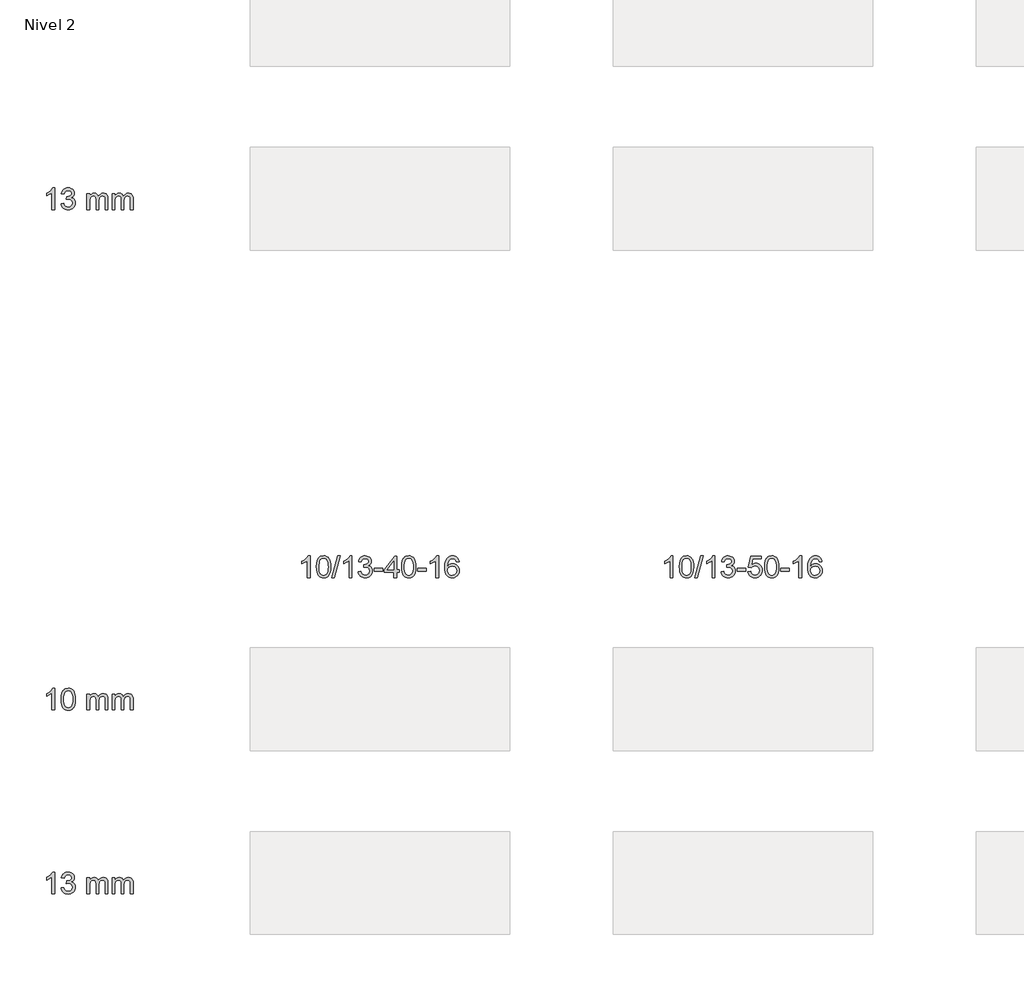
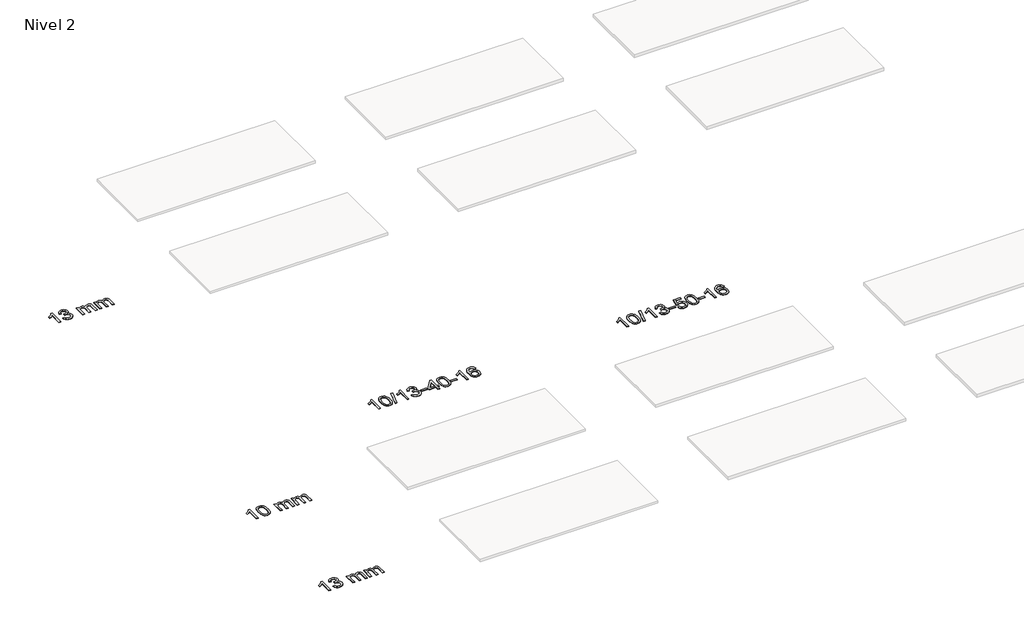
# One storey, part 5 of 51: 5 proxies.
"""IFC4 building model written with IfcOpenShell, lengths in millimetres."""

from ifc_helpers import new_model, si_unit, frame, origin, place, context, project, spatial, polyline, outline, extrude, element, save

model = new_model("IFC4")

# Units and contexts
model_context = context("Model", 3, world=origin())
ifc_project = project(units=[si_unit("LENGTHUNIT", "METRE", prefix="MILLI")], contexts=[model_context])

# Site, building, storey
site = spatial("IfcSite", under=ifc_project)
building = spatial("IfcBuilding", under=site)
storey = spatial("IfcBuildingStorey", under=building, Name="Nivel 2", Elevation=3000.0)

# Proxies
placement = place(None, origin())
element("IfcBuildingElementProxy", 1, Name="Texto de modelo 1", ObjectType="Texto de modelo 1", at=placement, inside=storey, context=model_context, shape_type="SweptSolid", body=[
    extrude(outline(polyline([(-13715.0343234, -110713.8281584), (-13765.2624785, -110713.8281584), (-13765.2624785, -110400.6870041), (-13786.2317522, -110417.6463641), (-13812.8418832, -110434.5811986), (-13865.7187886, -110459.9405308), (-13865.7187886, -110412.459228), (-13826.269576, -110390.9994449), (-13792.0933386, -110365.4684345), (-13765.1521139, -110338.3187432), (-13747.407939, -110312.0029178), (-13715.0343234, -110312.0029178), (-13715.0343234, -110713.8281584)])), frame((0.0, 0.0, 3000.0), z_axis=(0.0, 0.0, 1.0), x_axis=(1.0, 0.0, 0.0)), (0.0, 0.0, 1.0), 10.0),
    extrude(outline(polyline([(-13595.7424551, -110607.0933289), (-13545.5143, -110600.8148095), (-13534.2693737, -110632.3790847), (-13517.800523, -110653.691715), (-13495.2984077, -110665.8318208), (-13465.9536872, -110669.8785227), (-13431.5199324, -110664.3112419), (-13417.246111, -110657.3521408), (-13404.9343269, -110647.6093993), (-13387.9381787, -110622.6915255), (-13382.272796, -110592.476151), (-13387.8891278, -110563.7936181), (-13404.7381232, -110540.5312132), (-13430.2446082, -110525.1169576), (-13461.8334088, -110519.9788724), (-13497.0519785, -110525.4725769), (-13491.4601722, -110475.2444218), (-13483.4158192, -110475.833033), (-13453.323072, -110472.2277895), (-13426.4186354, -110461.4120588), (-13415.3453874, -110453.2328158), (-13407.4359245, -110443.1160609), (-13402.6902468, -110431.0617942), (-13401.1083542, -110417.0700157), (-13405.6946164, -110395.3772407), (-13419.453403, -110377.7802186), (-13440.4472022, -110366.1183593), (-13466.7385021, -110362.2310729), (-13493.078853, -110366.1551475), (-13514.6122124, -110377.9273714), (-13530.3330363, -110397.5477445), (-13539.2357806, -110425.0162668), (-13589.4639357, -110418.7377474), (-13583.5103787, -110394.7579727), (-13574.6750795, -110373.6354148), (-13562.958038, -110355.3700737), (-13548.3592541, -110339.9619495), (-13531.3385805, -110327.7298731), (-13512.3558695, -110318.9926757), (-13491.4111213, -110313.7503573), (-13468.5043357, -110312.0029178), (-13436.9277978, -110315.4487459), (-13407.9264338, -110325.7862299), (-13383.4745439, -110342.095665), (-13365.546428, -110363.4573462), (-13354.5467563, -110388.0686517), (-13350.8801991, -110414.1269597), (-13354.3628153, -110438.4071714), (-13364.810664, -110460.4310402), (-13382.0765923, -110479.1930219), (-13406.0134474, -110493.6875725), (-13374.5717996, -110506.3917641), (-13351.2726066, -110528.0232254), (-13336.8516323, -110557.4047341), (-13332.0446409, -110593.3590678), (-13334.4481366, -110618.8410273), (-13341.6586238, -110642.3118986), (-13353.6761023, -110663.7716816), (-13370.5005722, -110683.2203764), (-13390.9977307, -110699.3581333), (-13414.0332749, -110710.8851025), (-13439.607205, -110717.801284), (-13467.7195208, -110720.1066778), (-13493.1279039, -110718.1385091), (-13516.2799441, -110712.2340031), (-13537.1756415, -110702.3931598), (-13555.8149959, -110688.615979), (-13571.4438493, -110671.7118014), (-13583.3080437, -110652.4899671), (-13591.4075789, -110630.9504763), (-13595.7424551, -110607.0933289)])), frame((0.0, 0.0, 3000.0), z_axis=(0.0, 0.0, 1.0), x_axis=(1.0, 0.0, 0.0)), (0.0, 0.0, 1.0), 10.0),
    extrude(outline(polyline([(-13118.5749819, -110713.8281584), (-13118.5749819, -110418.7377474), (-13068.3468268, -110418.7377474), (-13068.3468268, -110467.2981707), (-13053.2391395, -110444.9922591), (-13033.8149702, -110427.5178643), (-13010.7365064, -110416.2238871), (-12984.6659356, -110412.459228), (-12956.7314295, -110416.2974635), (-12934.3396787, -110427.8121699), (-12917.6133106, -110446.2430579), (-12906.6749527, -110470.8298379), (-12888.366692, -110445.2926961), (-12867.4832574, -110427.0518805), (-12844.0246489, -110416.1073911), (-12817.9908664, -110412.459228), (-12797.8830496, -110413.9767412), (-12780.2339109, -110418.5292809), (-12765.0434502, -110426.1168471), (-12752.3116675, -110436.7394397), (-12742.2470292, -110450.5196861), (-12735.0580019, -110467.5802136), (-12730.7445855, -110487.9210222), (-12729.30678, -110511.542112), (-12729.30678, -110713.8281584), (-12779.5349351, -110713.8281584), (-12779.5349351, -110533.1245224), (-12780.6998948, -110508.0717585), (-12784.1947737, -110491.185975), (-12790.7430732, -110479.6222176), (-12801.0682946, -110470.5355323), (-12814.3488346, -110464.6494204), (-12829.7630902, -110462.6873831), (-12856.9740951, -110467.7151037), (-12879.1573794, -110482.7982655), (-12887.7627524, -110494.3681542), (-12893.9094474, -110508.9669381), (-12898.8268034, -110547.251191), (-12898.8268034, -110713.8281584), (-12949.0549585, -110713.8281584), (-12949.0549585, -110527.5327161), (-12951.9612263, -110499.1322261), (-12960.6800295, -110478.8741909), (-12976.0207087, -110466.734085), (-12998.7926042, -110462.6873831), (-13018.1431972, -110465.3851844), (-13035.9732112, -110473.4785883), (-13050.688491, -110486.771391), (-13060.6948813, -110505.0673889), (-13066.4338404, -110530.4512466), (-13068.3468268, -110565.0076287), (-13068.3468268, -110713.8281584), (-13118.5749819, -110713.8281584)])), frame((0.0, 0.0, 3000.0), z_axis=(0.0, 0.0, 1.0), x_axis=(1.0, 0.0, 0.0)), (0.0, 0.0, 1.0), 10.0),
    extrude(outline(polyline([(-12653.9645474, -110713.8281584), (-12653.9645474, -110418.7377474), (-12603.7363924, -110418.7377474), (-12603.7363924, -110467.2981707), (-12588.6287051, -110444.9922591), (-12569.2045357, -110427.5178643), (-12546.1260719, -110416.2238871), (-12520.0555012, -110412.459228), (-12492.120995, -110416.2974635), (-12469.7292442, -110427.8121699), (-12453.0028762, -110446.2430579), (-12442.0645182, -110470.8298379), (-12423.7562576, -110445.2926961), (-12402.872823, -110427.0518805), (-12379.4142144, -110416.1073911), (-12353.3804319, -110412.459228), (-12333.2726152, -110413.9767412), (-12315.6234765, -110418.5292809), (-12300.4330158, -110426.1168471), (-12287.701233, -110436.7394397), (-12277.6365948, -110450.5196861), (-12270.4475675, -110467.5802136), (-12266.1341511, -110487.9210222), (-12264.6963456, -110511.542112), (-12264.6963456, -110713.8281584), (-12314.9245007, -110713.8281584), (-12314.9245007, -110533.1245224), (-12316.0894603, -110508.0717585), (-12319.5843393, -110491.185975), (-12326.1326388, -110479.6222176), (-12336.4578601, -110470.5355323), (-12349.7384002, -110464.6494204), (-12365.1526558, -110462.6873831), (-12392.3636607, -110467.7151037), (-12414.546945, -110482.7982655), (-12423.152318, -110494.3681542), (-12429.299013, -110508.9669381), (-12434.216369, -110547.251191), (-12434.216369, -110713.8281584), (-12484.4445241, -110713.8281584), (-12484.4445241, -110527.5327161), (-12487.3507918, -110499.1322261), (-12496.0695951, -110478.8741909), (-12511.4102743, -110466.734085), (-12534.1821698, -110462.6873831), (-12553.5327628, -110465.3851844), (-12571.3627768, -110473.4785883), (-12586.0780566, -110486.771391), (-12596.0844469, -110505.0673889), (-12601.823406, -110530.4512466), (-12603.7363924, -110565.0076287), (-12603.7363924, -110713.8281584), (-12653.9645474, -110713.8281584)])), frame((0.0, 0.0, 3000.0), z_axis=(0.0, 0.0, 1.0), x_axis=(1.0, 0.0, 0.0)), (0.0, 0.0, 1.0), 10.0),
])
element("IfcBuildingElementProxy", 2, Name="Texto de modelo 1", ObjectType="Texto de modelo 1", at=placement, inside=storey, context=model_context, shape_type="SweptSolid", body=[
    extrude(outline(polyline([(-8991.394542, -117522.2088613), (-9041.622697, -117522.2088613), (-9041.622697, -117209.067707), (-9062.5919708, -117226.027067), (-9089.2021017, -117242.9619015), (-9142.0790072, -117268.3212337), (-9142.0790072, -117220.8399309), (-9102.6297946, -117199.3801478), (-9068.4535572, -117173.8491374), (-9041.5123324, -117146.6994461), (-9023.7681575, -117120.3836207), (-8991.394542, -117120.3836207), (-8991.394542, -117522.2088613)])), frame((0.0, 0.0, 3000.0), z_axis=(0.0, 0.0, 1.0), x_axis=(1.0, 0.0, 0.0)), (0.0, 0.0, 1.0), 10.0),
    extrude(outline(polyline([(-8872.1026737, -117324.5336026), (-8868.411591, -117260.2155671), (-8857.3383429, -117208.9205542), (-8838.9932941, -117169.8637491), (-8827.1352311, -117154.6303688), (-8813.4868091, -117142.2603367), (-8798.0020428, -117132.6892735), (-8780.6349469, -117125.8527997), (-8740.2537666, -117120.3836207), (-8709.3026281, -117123.6209823), (-8681.5888511, -117133.333067), (-8658.4122854, -117149.13973), (-8641.0727807, -117170.6608267), (-8627.9761817, -117197.7124161), (-8617.528333, -117230.1105572), (-8610.6857279, -117271.252027), (-8608.4048595, -117324.5336026), (-8612.059154, -117388.4837561), (-8623.0220375, -117439.6561416), (-8641.2567217, -117478.749735), (-8653.0871935, -117494.0291005), (-8666.7264185, -117506.4635119), (-8682.2295789, -117516.0989545), (-8699.651857, -117522.9814135), (-8740.2537666, -117528.4873807), (-8767.9184926, -117526.0961478), (-8792.443959, -117518.9224488), (-8813.8301656, -117506.966284), (-8832.0771126, -117490.2276532), (-8849.5882955, -117459.9693591), (-8862.0962834, -117422.267586), (-8869.6010761, -117377.1223338), (-8872.1026737, -117324.5336026)]), holes=[polyline([(-8821.8745186, -117324.4355007), (-8820.4029906, -117368.1000279), (-8815.9884067, -117403.4442906), (-8808.6307668, -117430.4682888), (-8798.3300709, -117449.1720226), (-8785.871134, -117461.8976739), (-8772.038771, -117470.9874249), (-8756.8329818, -117476.4412755), (-8740.2537666, -117478.2592256), (-8723.6745513, -117476.4351441), (-8708.4687622, -117470.9628994), (-8694.6363992, -117461.8424916), (-8682.1774623, -117449.0739207), (-8671.8767664, -117430.3395301), (-8664.5191265, -117403.3216632), (-8660.1045426, -117368.0203201), (-8658.6330146, -117324.4355007), (-8660.0554916, -117281.9267362), (-8664.3229228, -117247.2048072), (-8671.435308, -117220.2697138), (-8681.3926474, -117201.1214559), (-8693.6431178, -117187.7734709), (-8707.6348963, -117178.2391958), (-8723.367983, -117172.5186308), (-8740.8423778, -117170.6117758), (-8757.3357539, -117172.2917703), (-8772.2840256, -117177.3317536), (-8785.687193, -117185.7317258), (-8797.545256, -117197.4916869), (-8808.1893084, -117218.3383333), (-8815.7922029, -117246.4445178), (-8820.3539397, -117281.8102402), (-8821.8745186, -117324.4355007)])]), frame((0.0, 0.0, 3000.0), z_axis=(0.0, 0.0, 1.0), x_axis=(1.0, 0.0, 0.0)), (0.0, 0.0, 1.0), 10.0),
    extrude(outline(polyline([(-8589.5693014, -117522.2088613), (-8476.5559524, -117120.3836207), (-8431.2328906, -117120.3836207), (-8544.2462396, -117522.2088613), (-8589.5693014, -117522.2088613)])), frame((0.0, 0.0, 3000.0), z_axis=(0.0, 0.0, 1.0), x_axis=(1.0, 0.0, 0.0)), (0.0, 0.0, 1.0), 10.0),
    extrude(outline(polyline([(-8219.1366577, -117522.2088613), (-8269.3648128, -117522.2088613), (-8269.3648128, -117209.067707), (-8290.3340865, -117226.027067), (-8316.9442175, -117242.9619015), (-8369.8211229, -117268.3212337), (-8369.8211229, -117220.8399309), (-8330.3719103, -117199.3801478), (-8296.1956729, -117173.8491374), (-8269.2544482, -117146.6994461), (-8251.5102733, -117120.3836207), (-8219.1366577, -117120.3836207), (-8219.1366577, -117522.2088613)])), frame((0.0, 0.0, 3000.0), z_axis=(0.0, 0.0, 1.0), x_axis=(1.0, 0.0, 0.0)), (0.0, 0.0, 1.0), 10.0),
    extrude(outline(polyline([(-8099.8447894, -117415.4740318), (-8049.6166343, -117409.1955124), (-8038.371708, -117440.7597876), (-8021.9028573, -117462.0724179), (-7999.400742, -117474.2125237), (-7970.0560215, -117478.2592256), (-7935.6222667, -117472.6919448), (-7921.3484453, -117465.7328437), (-7909.0366612, -117455.9901022), (-7892.040513, -117431.0722284), (-7886.3751303, -117400.8568539), (-7891.9914621, -117372.174321), (-7908.8404575, -117348.9119161), (-7934.3469425, -117333.4976605), (-7965.9357431, -117328.3595753), (-8001.1543128, -117333.8532798), (-7995.5625065, -117283.6251247), (-7987.5181535, -117284.2137359), (-7957.4254063, -117280.6084924), (-7930.5209697, -117269.7927617), (-7919.4477217, -117261.6135187), (-7911.5382588, -117251.4967638), (-7906.792581, -117239.4424971), (-7905.2106885, -117225.4507186), (-7909.7969507, -117203.7579436), (-7923.5557373, -117186.1609215), (-7944.5495365, -117174.4990622), (-7970.8408364, -117170.6117758), (-7997.1811873, -117174.5358504), (-8018.7145467, -117186.3080743), (-8034.4353706, -117205.9284474), (-8043.3381149, -117233.3969697), (-8093.56627, -117227.1184503), (-8087.612713, -117203.1386756), (-8078.7774138, -117182.0161177), (-8067.0603722, -117163.7507766), (-8052.4615884, -117148.3426524), (-8035.4409148, -117136.110576), (-8016.4582038, -117127.3733786), (-7995.5134555, -117122.1310602), (-7972.60667, -117120.3836207), (-7941.0301321, -117123.8294488), (-7912.0287681, -117134.1669328), (-7887.5768782, -117150.4763679), (-7869.6487623, -117171.8380491), (-7858.6490906, -117196.4493546), (-7854.9825334, -117222.5076626), (-7858.4651496, -117246.7878743), (-7868.9129983, -117268.8117431), (-7886.1789266, -117287.5737248), (-7910.1157817, -117302.0682754), (-7878.6741339, -117314.772467), (-7855.3749408, -117336.4039283), (-7840.9539666, -117365.785437), (-7836.1469752, -117401.7397707), (-7838.5504709, -117427.2217302), (-7845.760958, -117450.6926015), (-7857.7784366, -117472.1523845), (-7874.6029065, -117491.6010793), (-7895.100065, -117507.7388362), (-7918.1356092, -117519.2658054), (-7943.7095393, -117526.1819869), (-7971.8218551, -117528.4873807), (-7997.2302382, -117526.519212), (-8020.3822784, -117520.614706), (-8041.2779757, -117510.7738627), (-8059.9173302, -117496.9966819), (-8075.5461836, -117480.0925043), (-8087.4103779, -117460.87067), (-8095.5099132, -117439.3311792), (-8099.8447894, -117415.4740318)])), frame((0.0, 0.0, 3000.0), z_axis=(0.0, 0.0, 1.0), x_axis=(1.0, 0.0, 0.0)), (0.0, 0.0, 1.0), 10.0),
    extrude(outline(polyline([(-7804.7543783, -117402.916993), (-7804.7543783, -117352.688838), (-7647.7913937, -117352.688838), (-7647.7913937, -117402.916993), (-7804.7543783, -117402.916993)])), frame((0.0, 0.0, 3000.0), z_axis=(0.0, 0.0, 1.0), x_axis=(1.0, 0.0, 0.0)), (0.0, 0.0, 1.0), 10.0),
    extrude(outline(polyline([(-7440.600254, -117522.2088613), (-7440.600254, -117428.0310706), (-7622.6773162, -117428.0310706), (-7622.6773162, -117377.8029155), (-7428.0432153, -117126.6621401), (-7390.3720989, -117126.6621401), (-7390.3720989, -117377.8029155), (-7340.1439439, -117377.8029155), (-7340.1439439, -117428.0310706), (-7390.3720989, -117428.0310706), (-7390.3720989, -117522.2088613), (-7440.600254, -117522.2088613)]), holes=[polyline([(-7440.600254, -117377.8029155), (-7440.600254, -117222.6057645), (-7560.873141, -117377.8029155), (-7440.600254, -117377.8029155)])]), frame((0.0, 0.0, 3000.0), z_axis=(0.0, 0.0, 1.0), x_axis=(1.0, 0.0, 0.0)), (0.0, 0.0, 1.0), 10.0),
    extrude(outline(polyline([(-7296.1943082, -117324.5336026), (-7292.5032255, -117260.2155671), (-7281.4299774, -117208.9205542), (-7263.0849286, -117169.8637491), (-7251.2268656, -117154.6303688), (-7237.5784436, -117142.2603367), (-7222.0936773, -117132.6892735), (-7204.7265814, -117125.8527997), (-7164.3454011, -117120.3836207), (-7133.3942626, -117123.6209823), (-7105.6804856, -117133.333067), (-7082.5039199, -117149.13973), (-7065.1644152, -117170.6608267), (-7052.0678162, -117197.7124161), (-7041.6199675, -117230.1105572), (-7034.7773624, -117271.252027), (-7032.496494, -117324.5336026), (-7036.1507885, -117388.4837561), (-7047.113672, -117439.6561416), (-7065.3483562, -117478.749735), (-7077.178828, -117494.0291005), (-7090.818053, -117506.4635119), (-7106.3212134, -117516.0989545), (-7123.7434916, -117522.9814135), (-7164.3454011, -117528.4873807), (-7192.0101271, -117526.0961478), (-7216.5355935, -117518.9224488), (-7237.9218001, -117506.966284), (-7256.1687471, -117490.2276532), (-7273.6799301, -117459.9693591), (-7286.1879179, -117422.267586), (-7293.6927106, -117377.1223338), (-7296.1943082, -117324.5336026)]), holes=[polyline([(-7245.9661531, -117324.4355007), (-7244.4946251, -117368.1000279), (-7240.0800412, -117403.4442906), (-7232.7224013, -117430.4682888), (-7222.4217054, -117449.1720226), (-7209.9627685, -117461.8976739), (-7196.1304055, -117470.9874249), (-7180.9246164, -117476.4412755), (-7164.3454011, -117478.2592256), (-7147.7661859, -117476.4351441), (-7132.5603967, -117470.9628994), (-7118.7280337, -117461.8424916), (-7106.2690968, -117449.0739207), (-7095.9684009, -117430.3395301), (-7088.610761, -117403.3216632), (-7084.1961771, -117368.0203201), (-7082.7246491, -117324.4355007), (-7084.1471262, -117281.9267362), (-7088.4145573, -117247.2048072), (-7095.5269425, -117220.2697138), (-7105.4842819, -117201.1214559), (-7117.7347523, -117187.7734709), (-7131.7265309, -117178.2391958), (-7147.4596175, -117172.5186308), (-7164.9340123, -117170.6117758), (-7181.4273884, -117172.2917703), (-7196.3756602, -117177.3317536), (-7209.7788275, -117185.7317258), (-7221.6368905, -117197.4916869), (-7232.2809429, -117218.3383333), (-7239.8838375, -117246.4445178), (-7244.4455742, -117281.8102402), (-7245.9661531, -117324.4355007)])]), frame((0.0, 0.0, 3000.0), z_axis=(0.0, 0.0, 1.0), x_axis=(1.0, 0.0, 0.0)), (0.0, 0.0, 1.0), 10.0),
    extrude(outline(polyline([(-7001.1038971, -117402.916993), (-7001.1038971, -117352.688838), (-6844.1409125, -117352.688838), (-6844.1409125, -117402.916993), (-7001.1038971, -117402.916993)])), frame((0.0, 0.0, 3000.0), z_axis=(0.0, 0.0, 1.0), x_axis=(1.0, 0.0, 0.0)), (0.0, 0.0, 1.0), 10.0),
    extrude(outline(polyline([(-6611.8356953, -117522.2088613), (-6662.0638504, -117522.2088613), (-6662.0638504, -117209.067707), (-6683.0331241, -117226.027067), (-6709.6432551, -117242.9619015), (-6762.5201605, -117268.3212337), (-6762.5201605, -117220.8399309), (-6723.0709479, -117199.3801478), (-6688.8947105, -117173.8491374), (-6661.9534858, -117146.6994461), (-6644.2093109, -117120.3836207), (-6611.8356953, -117120.3836207), (-6611.8356953, -117522.2088613)])), frame((0.0, 0.0, 3000.0), z_axis=(0.0, 0.0, 1.0), x_axis=(1.0, 0.0, 0.0)), (0.0, 0.0, 1.0), 10.0),
    extrude(outline(polyline([(-6235.1245322, -117227.1184503), (-6285.3526873, -117233.3969697), (-6293.4460912, -117208.5036213), (-6304.3844492, -117191.5074731), (-6327.1686074, -117175.8357001), (-6354.7107061, -117170.6117758), (-6378.0589501, -117173.6529336), (-6400.0337679, -117182.7764071), (-6418.9061143, -117201.99211), (-6434.3203699, -117228.4428255), (-6444.7314303, -117265.8564244), (-6448.5941913, -117317.9607776), (-6428.4465207, -117294.4531181), (-6404.3011991, -117277.8861656), (-6377.5071271, -117268.0637163), (-6349.4132054, -117264.7895666), (-6325.2801465, -117267.0275154), (-6303.0110231, -117273.7413618), (-6282.6058351, -117284.9311058), (-6264.0645825, -117300.5967474), (-6248.6564583, -117319.806319), (-6237.6506553, -117341.6278526), (-6231.0471734, -117366.0613485), (-6228.8460128, -117393.1068065), (-6232.9908167, -117429.0734029), (-6245.4252281, -117462.4157744), (-6265.1191776, -117490.6936371), (-6291.0425955, -117511.4667071), (-6322.0182595, -117524.2322123), (-6356.8689472, -117528.4873807), (-6386.8114759, -117525.6669521), (-6413.8538682, -117517.2056662), (-6437.9961241, -117503.1035231), (-6459.2382437, -117483.3605226), (-6476.5562886, -117457.1427991), (-6488.9263207, -117423.6164866), (-6496.34834, -117382.7815852), (-6498.8223464, -117334.6380947), (-6496.0754941, -117280.6636747), (-6487.8349374, -117234.5987175), (-6474.1006763, -117196.4432232), (-6454.8727107, -117166.1971919), (-6434.0321957, -117146.1537545), (-6409.8684799, -117131.8370135), (-6382.3815635, -117123.2469689), (-6351.5714464, -117120.3836207), (-6328.4378003, -117122.1555857), (-6307.4991834, -117127.4714805), (-6288.7555958, -117136.3313052), (-6272.2070373, -117148.7350598), (-6258.3010979, -117164.2658114), (-6247.4853673, -117182.506627), (-6239.7598454, -117203.4575066), (-6235.1245322, -117227.1184503)]), holes=[polyline([(-6448.5941913, -117392.3219916), (-6445.6879235, -117414.5788523), (-6436.9691202, -117435.8301689), (-6423.4310628, -117454.1016413), (-6406.0670327, -117467.4189695), (-6385.1100217, -117475.5491616), (-6360.7930218, -117478.2592256), (-6327.646854, -117472.6428939), (-6313.7317175, -117465.6224791), (-6301.588546, -117455.7938985), (-6291.7385056, -117443.5556908), (-6284.7027624, -117429.3063948), (-6279.0741679, -117394.7745382), (-6284.629186, -117361.6283704), (-6291.5729587, -117348.0075396), (-6301.2942404, -117336.3548774), (-6313.4742001, -117327.0198717), (-6327.7940068, -117320.3520106), (-6362.853161, -117315.0177217), (-6395.9502778, -117320.3520106), (-6423.6272666, -117336.3548774), (-6434.5502961, -117347.8542554), (-6442.3524601, -117361.0152338), (-6447.0337585, -117375.8378125), (-6448.5941913, -117392.3219916)])]), frame((0.0, 0.0, 3000.0), z_axis=(0.0, 0.0, 1.0), x_axis=(1.0, 0.0, 0.0)), (0.0, 0.0, 1.0), 10.0),
])
element("IfcBuildingElementProxy", 3, Name="Texto de modelo 1", ObjectType="Texto de modelo 1", at=placement, inside=storey, context=model_context, shape_type="SweptSolid", body=[
    extrude(outline(polyline([(-2276.4540071, -117522.2088613), (-2326.6821622, -117522.2088613), (-2326.6821622, -117209.067707), (-2347.6514359, -117226.027067), (-2374.2615669, -117242.9619015), (-2427.1384724, -117268.3212337), (-2427.1384724, -117220.8399309), (-2387.6892597, -117199.3801478), (-2353.5130224, -117173.8491374), (-2326.5717976, -117146.6994461), (-2308.8276227, -117120.3836207), (-2276.4540071, -117120.3836207), (-2276.4540071, -117522.2088613)])), frame((0.0, 0.0, 3000.0), z_axis=(0.0, 0.0, 1.0), x_axis=(1.0, 0.0, 0.0)), (0.0, 0.0, 1.0), 10.0),
    extrude(outline(polyline([(-2157.1621388, -117324.5336026), (-2153.4710561, -117260.2155671), (-2142.3978081, -117208.9205542), (-2124.0527593, -117169.8637491), (-2112.1946963, -117154.6303688), (-2098.5462743, -117142.2603367), (-2083.061508, -117132.6892735), (-2065.6944121, -117125.8527997), (-2025.3132318, -117120.3836207), (-1994.3620932, -117123.6209823), (-1966.6483163, -117133.333067), (-1943.4717506, -117149.13973), (-1926.1322459, -117170.6608267), (-1913.0356468, -117197.7124161), (-1902.5877982, -117230.1105572), (-1895.7451931, -117271.252027), (-1893.4643247, -117324.5336026), (-1897.1186192, -117388.4837561), (-1908.0815026, -117439.6561416), (-1926.3161869, -117478.749735), (-1938.1466587, -117494.0291005), (-1951.7858837, -117506.4635119), (-1967.2890441, -117516.0989545), (-1984.7113222, -117522.9814135), (-2025.3132318, -117528.4873807), (-2052.9779578, -117526.0961478), (-2077.5034241, -117518.9224488), (-2098.8896308, -117506.966284), (-2117.1365778, -117490.2276532), (-2134.6477607, -117459.9693591), (-2147.1557486, -117422.267586), (-2154.6605413, -117377.1223338), (-2157.1621388, -117324.5336026)]), holes=[polyline([(-2106.9339838, -117324.4355007), (-2105.4624558, -117368.1000279), (-2101.0478718, -117403.4442906), (-2093.6902319, -117430.4682888), (-2083.3895361, -117449.1720226), (-2070.9305992, -117461.8976739), (-2057.0982361, -117470.9874249), (-2041.892447, -117476.4412755), (-2025.3132318, -117478.2592256), (-2008.7340165, -117476.4351441), (-1993.5282274, -117470.9628994), (-1979.6958644, -117461.8424916), (-1967.2369275, -117449.0739207), (-1956.9362316, -117430.3395301), (-1949.5785917, -117403.3216632), (-1945.1640077, -117368.0203201), (-1943.6924798, -117324.4355007), (-1945.1149568, -117281.9267362), (-1949.382388, -117247.2048072), (-1956.4947732, -117220.2697138), (-1966.4521125, -117201.1214559), (-1978.702583, -117187.7734709), (-1992.6943615, -117178.2391958), (-2008.4274482, -117172.5186308), (-2025.9018429, -117170.6117758), (-2042.3952191, -117172.2917703), (-2057.3434908, -117177.3317536), (-2070.7466582, -117185.7317258), (-2082.6047211, -117197.4916869), (-2093.2487735, -117218.3383333), (-2100.8516681, -117246.4445178), (-2105.4134048, -117281.8102402), (-2106.9339838, -117324.4355007)])]), frame((0.0, 0.0, 3000.0), z_axis=(0.0, 0.0, 1.0), x_axis=(1.0, 0.0, 0.0)), (0.0, 0.0, 1.0), 10.0),
    extrude(outline(polyline([(-1874.6287665, -117522.2088613), (-1761.6154176, -117120.3836207), (-1716.2923558, -117120.3836207), (-1829.3057047, -117522.2088613), (-1874.6287665, -117522.2088613)])), frame((0.0, 0.0, 3000.0), z_axis=(0.0, 0.0, 1.0), x_axis=(1.0, 0.0, 0.0)), (0.0, 0.0, 1.0), 10.0),
    extrude(outline(polyline([(-1504.1961229, -117522.2088613), (-1554.4242779, -117522.2088613), (-1554.4242779, -117209.067707), (-1575.3935517, -117226.027067), (-1602.0036826, -117242.9619015), (-1654.8805881, -117268.3212337), (-1654.8805881, -117220.8399309), (-1615.4313755, -117199.3801478), (-1581.2551381, -117173.8491374), (-1554.3139133, -117146.6994461), (-1536.5697384, -117120.3836207), (-1504.1961229, -117120.3836207), (-1504.1961229, -117522.2088613)])), frame((0.0, 0.0, 3000.0), z_axis=(0.0, 0.0, 1.0), x_axis=(1.0, 0.0, 0.0)), (0.0, 0.0, 1.0), 10.0),
    extrude(outline(polyline([(-1384.9042546, -117415.4740318), (-1334.6760995, -117409.1955124), (-1323.4311732, -117440.7597876), (-1306.9623225, -117462.0724179), (-1284.4602071, -117474.2125237), (-1255.1154867, -117478.2592256), (-1220.6817319, -117472.6919448), (-1206.4079105, -117465.7328437), (-1194.0961264, -117455.9901022), (-1177.0999782, -117431.0722284), (-1171.4345955, -117400.8568539), (-1177.0509273, -117372.174321), (-1193.8999227, -117348.9119161), (-1219.4064077, -117333.4976605), (-1250.9952083, -117328.3595753), (-1286.213778, -117333.8532798), (-1280.6219717, -117283.6251247), (-1272.5776187, -117284.2137359), (-1242.4848715, -117280.6084924), (-1215.5804349, -117269.7927617), (-1204.5071869, -117261.6135187), (-1196.597724, -117251.4967638), (-1191.8520462, -117239.4424971), (-1190.2701536, -117225.4507186), (-1194.8564158, -117203.7579436), (-1208.6152025, -117186.1609215), (-1229.6090017, -117174.4990622), (-1255.9003016, -117170.6117758), (-1282.2406524, -117174.5358504), (-1303.7740119, -117186.3080743), (-1319.4948358, -117205.9284474), (-1328.3975801, -117233.3969697), (-1378.6257352, -117227.1184503), (-1372.6721782, -117203.1386756), (-1363.836879, -117182.0161177), (-1352.1198374, -117163.7507766), (-1337.5210536, -117148.3426524), (-1320.5003799, -117136.110576), (-1301.517669, -117127.3733786), (-1280.5729207, -117122.1310602), (-1257.6661352, -117120.3836207), (-1226.0895972, -117123.8294488), (-1197.0882333, -117134.1669328), (-1172.6363433, -117150.4763679), (-1154.7082274, -117171.8380491), (-1143.7085558, -117196.4493546), (-1140.0419986, -117222.5076626), (-1143.5246148, -117246.7878743), (-1153.9724634, -117268.8117431), (-1171.2383918, -117287.5737248), (-1195.1752469, -117302.0682754), (-1163.7335991, -117314.772467), (-1140.434406, -117336.4039283), (-1126.0134318, -117365.785437), (-1121.2064404, -117401.7397707), (-1123.6099361, -117427.2217302), (-1130.8204232, -117450.6926015), (-1142.8379017, -117472.1523845), (-1159.6623716, -117491.6010793), (-1180.1595301, -117507.7388362), (-1203.1950744, -117519.2658054), (-1228.7690044, -117526.1819869), (-1256.8813202, -117528.4873807), (-1282.2897034, -117526.519212), (-1305.4417436, -117520.614706), (-1326.3374409, -117510.7738627), (-1344.9767953, -117496.9966819), (-1360.6056488, -117480.0925043), (-1372.4698431, -117460.87067), (-1380.5693784, -117439.3311792), (-1384.9042546, -117415.4740318)])), frame((0.0, 0.0, 3000.0), z_axis=(0.0, 0.0, 1.0), x_axis=(1.0, 0.0, 0.0)), (0.0, 0.0, 1.0), 10.0),
    extrude(outline(polyline([(-1089.8138435, -117402.916993), (-1089.8138435, -117352.688838), (-932.8508589, -117352.688838), (-932.8508589, -117402.916993), (-1089.8138435, -117402.916993)])), frame((0.0, 0.0, 3000.0), z_axis=(0.0, 0.0, 1.0), x_axis=(1.0, 0.0, 0.0)), (0.0, 0.0, 1.0), 10.0),
    extrude(outline(polyline([(-888.9012232, -117415.4740318), (-838.6730681, -117409.1955124), (-829.4514928, -117439.3495733), (-813.3627868, -117460.9442464), (-790.4805267, -117473.9304808), (-760.8782889, -117478.2592256), (-741.7484251, -117476.7539752), (-724.8749043, -117472.2382237), (-710.2577263, -117464.7119712), (-697.8968913, -117454.1752177), (-688.0683107, -117441.1491294), (-681.0478959, -117426.1548724), (-675.4315641, -117390.2618524), (-680.6922767, -117356.4657598), (-687.2681673, -117342.5475576), (-696.4744142, -117330.6159182), (-708.3416743, -117321.044855), (-722.9006042, -117314.2083813), (-760.0934739, -117308.7392023), (-784.4595248, -117310.9219688), (-804.1902624, -117317.4702683), (-819.9478746, -117327.501184), (-832.3945487, -117340.1317992), (-882.6227038, -117333.8532798), (-838.6730681, -117126.6621401), (-644.0389672, -117126.6621401), (-644.0389672, -117176.8902952), (-798.0588958, -117176.8902952), (-819.5432044, -117287.5491993), (-801.8174236, -117274.8450078), (-783.6624471, -117265.7705852), (-765.078275, -117260.3259317), (-746.0649072, -117258.5110472), (-721.6038202, -117260.7612587), (-699.1354273, -117267.5118933), (-678.6597286, -117278.762951), (-660.1767241, -117294.5144318), (-644.8758987, -117313.8037111), (-633.9467378, -117335.6681643), (-627.3892412, -117360.1077915), (-625.203409, -117387.1225927), (-627.1715777, -117413.1441125), (-633.0760837, -117437.3507478), (-642.9169271, -117459.7424986), (-656.6941078, -117480.3193648), (-677.5652797, -117501.3928718), (-701.9190678, -117516.4453767), (-729.7554721, -117525.4768797), (-761.0744926, -117528.4873807), (-786.9948448, -117526.5529346), (-810.4074682, -117520.7495961), (-831.3123625, -117511.0773653), (-849.709528, -117497.5362422), (-865.0164847, -117480.8006771), (-876.6507528, -117461.5451203), (-884.6123323, -117439.7695719), (-888.9012232, -117415.4740318)])), frame((0.0, 0.0, 3000.0), z_axis=(0.0, 0.0, 1.0), x_axis=(1.0, 0.0, 0.0)), (0.0, 0.0, 1.0), 10.0),
    extrude(outline(polyline([(-581.2537734, -117324.5336026), (-577.5626907, -117260.2155671), (-566.4894426, -117208.9205542), (-548.1443938, -117169.8637491), (-536.2863308, -117154.6303688), (-522.6379088, -117142.2603367), (-507.1531425, -117132.6892735), (-489.7860466, -117125.8527997), (-449.4048663, -117120.3836207), (-418.4537278, -117123.6209823), (-390.7399508, -117133.333067), (-367.5633851, -117149.13973), (-350.2238804, -117170.6608267), (-337.1272814, -117197.7124161), (-326.6794327, -117230.1105572), (-319.8368276, -117271.252027), (-317.5559592, -117324.5336026), (-321.2102537, -117388.4837561), (-332.1731372, -117439.6561416), (-350.4078214, -117478.749735), (-362.2382932, -117494.0291005), (-375.8775182, -117506.4635119), (-391.3806786, -117516.0989545), (-408.8029568, -117522.9814135), (-449.4048663, -117528.4873807), (-477.0695923, -117526.0961478), (-501.5950587, -117518.9224488), (-522.9812653, -117506.966284), (-541.2282123, -117490.2276532), (-558.7393953, -117459.9693591), (-571.2473831, -117422.267586), (-578.7521758, -117377.1223338), (-581.2537734, -117324.5336026)]), holes=[polyline([(-531.0256183, -117324.4355007), (-529.5540903, -117368.1000279), (-525.1395064, -117403.4442906), (-517.7818665, -117430.4682888), (-507.4811706, -117449.1720226), (-495.0222337, -117461.8976739), (-481.1898707, -117470.9874249), (-465.9840815, -117476.4412755), (-449.4048663, -117478.2592256), (-432.825651, -117476.4351441), (-417.6198619, -117470.9628994), (-403.7874989, -117461.8424916), (-391.328562, -117449.0739207), (-381.0278661, -117430.3395301), (-373.6702262, -117403.3216632), (-369.2556423, -117368.0203201), (-367.7841143, -117324.4355007), (-369.2065913, -117281.9267362), (-373.4740225, -117247.2048072), (-380.5864077, -117220.2697138), (-390.5437471, -117201.1214559), (-402.7942175, -117187.7734709), (-416.785996, -117178.2391958), (-432.5190827, -117172.5186308), (-449.9934775, -117170.6117758), (-466.4868536, -117172.2917703), (-481.4351253, -117177.3317536), (-494.8382927, -117185.7317258), (-506.6963557, -117197.4916869), (-517.3404081, -117218.3383333), (-524.9433026, -117246.4445178), (-529.5050394, -117281.8102402), (-531.0256183, -117324.4355007)])]), frame((0.0, 0.0, 3000.0), z_axis=(0.0, 0.0, 1.0), x_axis=(1.0, 0.0, 0.0)), (0.0, 0.0, 1.0), 10.0),
    extrude(outline(polyline([(-286.1633623, -117402.916993), (-286.1633623, -117352.688838), (-129.2003777, -117352.688838), (-129.2003777, -117402.916993), (-286.1633623, -117402.916993)])), frame((0.0, 0.0, 3000.0), z_axis=(0.0, 0.0, 1.0), x_axis=(1.0, 0.0, 0.0)), (0.0, 0.0, 1.0), 10.0),
    extrude(outline(polyline([(103.1048395, -117522.2088613), (52.8766845, -117522.2088613), (52.8766845, -117209.067707), (31.9074107, -117226.027067), (5.2972798, -117242.9619015), (-47.5796257, -117268.3212337), (-47.5796257, -117220.8399309), (-8.1304131, -117199.3801478), (26.0458243, -117173.8491374), (52.9870491, -117146.6994461), (70.731224, -117120.3836207), (103.1048395, -117120.3836207), (103.1048395, -117522.2088613)])), frame((0.0, 0.0, 3000.0), z_axis=(0.0, 0.0, 1.0), x_axis=(1.0, 0.0, 0.0)), (0.0, 0.0, 1.0), 10.0),
    extrude(outline(polyline([(479.8160026, -117227.1184503), (429.5878475, -117233.3969697), (421.4944436, -117208.5036213), (410.5560856, -117191.5074731), (387.7719274, -117175.8357001), (360.2298287, -117170.6117758), (336.8815847, -117173.6529336), (314.9067669, -117182.7764071), (296.0344205, -117201.99211), (280.6201649, -117228.4428255), (270.2091045, -117265.8564244), (266.3463435, -117317.9607776), (286.4940141, -117294.4531181), (310.6393357, -117277.8861656), (337.4334077, -117268.0637163), (365.5273294, -117264.7895666), (389.6603883, -117267.0275154), (411.9295118, -117273.7413618), (432.3346998, -117284.9311058), (450.8759523, -117300.5967474), (466.2840765, -117319.806319), (477.2898796, -117341.6278526), (483.8933614, -117366.0613485), (486.094522, -117393.1068065), (481.9497182, -117429.0734029), (469.5153067, -117462.4157744), (449.8213573, -117490.6936371), (423.8979393, -117511.4667071), (392.9222753, -117524.2322123), (358.0715877, -117528.4873807), (328.1290589, -117525.6669521), (301.0866666, -117517.2056662), (276.9444107, -117503.1035231), (255.7022911, -117483.3605226), (238.3842462, -117457.1427991), (226.0142141, -117423.6164866), (218.5921949, -117382.7815852), (216.1181885, -117334.6380947), (218.8650407, -117280.6636747), (227.1055974, -117234.5987175), (240.8398585, -117196.4432232), (260.0678241, -117166.1971919), (280.9083392, -117146.1537545), (305.0720549, -117131.8370135), (332.5589713, -117123.2469689), (363.3690884, -117120.3836207), (386.5027345, -117122.1555857), (407.4413514, -117127.4714805), (426.1849391, -117136.3313052), (442.7334975, -117148.7350598), (456.6394369, -117164.2658114), (467.4551676, -117182.506627), (475.1806895, -117203.4575066), (479.8160026, -117227.1184503)]), holes=[polyline([(266.3463435, -117392.3219916), (269.2526113, -117414.5788523), (277.9714146, -117435.8301689), (291.509472, -117454.1016413), (308.8735022, -117467.4189695), (329.8305132, -117475.5491616), (354.147513, -117478.2592256), (387.2936808, -117472.6428939), (401.2088173, -117465.6224791), (413.3519888, -117455.7938985), (423.2020292, -117443.5556908), (430.2377724, -117429.3063948), (435.8663669, -117394.7745382), (430.3113488, -117361.6283704), (423.3675761, -117348.0075396), (413.6462944, -117336.3548774), (401.4663347, -117327.0198717), (387.146528, -117320.3520106), (352.0873739, -117315.0177217), (318.990257, -117320.3520106), (291.3132683, -117336.3548774), (280.3902387, -117347.8542554), (272.5880747, -117361.0152338), (267.9067763, -117375.8378125), (266.3463435, -117392.3219916)])]), frame((0.0, 0.0, 3000.0), z_axis=(0.0, 0.0, 1.0), x_axis=(1.0, 0.0, 0.0)), (0.0, 0.0, 1.0), 10.0),
])
element("IfcBuildingElementProxy", 4, Name="Texto de modelo 1", ObjectType="Texto de modelo 1", at=placement, inside=storey, context=model_context, shape_type="SweptSolid", body=[
    extrude(outline(polyline([(-13715.0343234, -119972.2088613), (-13765.2624785, -119972.2088613), (-13765.2624785, -119659.067707), (-13786.2317522, -119676.027067), (-13812.8418832, -119692.9619015), (-13865.7187886, -119718.3212337), (-13865.7187886, -119670.8399309), (-13826.269576, -119649.3801478), (-13792.0933386, -119623.8491374), (-13765.1521139, -119596.6994461), (-13747.407939, -119570.3836207), (-13715.0343234, -119570.3836207), (-13715.0343234, -119972.2088613)])), frame((0.0, 0.0, 3000.0), z_axis=(0.0, 0.0, 1.0), x_axis=(1.0, 0.0, 0.0)), (0.0, 0.0, 1.0), 10.0),
    extrude(outline(polyline([(-13595.7424551, -119774.5336026), (-13592.0513724, -119710.2155671), (-13580.9781243, -119658.9205542), (-13562.6330755, -119619.8637491), (-13550.7750125, -119604.6303688), (-13537.1265905, -119592.2603367), (-13521.6418242, -119582.6892735), (-13504.2747284, -119575.8527997), (-13463.893548, -119570.3836207), (-13432.9424095, -119573.6209823), (-13405.2286325, -119583.333067), (-13382.0520668, -119599.13973), (-13364.7125621, -119620.6608267), (-13351.6159631, -119647.7124161), (-13341.1681144, -119680.1105572), (-13334.3255093, -119721.252027), (-13332.0446409, -119774.5336026), (-13335.6989354, -119838.4837561), (-13346.6618189, -119889.6561416), (-13364.8965031, -119928.749735), (-13376.7269749, -119944.0291005), (-13390.3661999, -119956.4635119), (-13405.8693603, -119966.0989545), (-13423.2916385, -119972.9814135), (-13463.893548, -119978.4873807), (-13491.5582741, -119976.0961478), (-13516.0837404, -119968.9224488), (-13537.4699471, -119956.966284), (-13555.716894, -119940.2276532), (-13573.228077, -119909.9693591), (-13585.7360648, -119872.267586), (-13593.2408575, -119827.1223338), (-13595.7424551, -119774.5336026)]), holes=[polyline([(-13545.5143, -119774.4355007), (-13544.042772, -119818.1000279), (-13539.6281881, -119853.4442906), (-13532.2705482, -119880.4682888), (-13521.9698523, -119899.1720226), (-13509.5109154, -119911.8976739), (-13495.6785524, -119920.9874249), (-13480.4727633, -119926.4412755), (-13463.893548, -119928.2592256), (-13447.3143328, -119926.4351441), (-13432.1085436, -119920.9628994), (-13418.2761806, -119911.8424916), (-13405.8172437, -119899.0739207), (-13395.5165478, -119880.3395301), (-13388.1589079, -119853.3216632), (-13383.744324, -119818.0203201), (-13382.272796, -119774.4355007), (-13383.6952731, -119731.9267362), (-13387.9627042, -119697.2048072), (-13395.0750895, -119670.2697138), (-13405.0324288, -119651.1214559), (-13417.2828992, -119637.7734709), (-13431.2746778, -119628.2391958), (-13447.0077644, -119622.5186308), (-13464.4821592, -119620.6117758), (-13480.9755353, -119622.2917703), (-13495.9238071, -119627.3317536), (-13509.3269744, -119635.7317258), (-13521.1850374, -119647.4916869), (-13531.8290898, -119668.3383333), (-13539.4319844, -119696.4445178), (-13543.9937211, -119731.8102402), (-13545.5143, -119774.4355007)])]), frame((0.0, 0.0, 3000.0), z_axis=(0.0, 0.0, 1.0), x_axis=(1.0, 0.0, 0.0)), (0.0, 0.0, 1.0), 10.0),
    extrude(outline(polyline([(-13118.5749819, -119972.2088613), (-13118.5749819, -119677.1184503), (-13068.3468268, -119677.1184503), (-13068.3468268, -119725.6788736), (-13053.2391395, -119703.372962), (-13033.8149702, -119685.8985672), (-13010.7365064, -119674.60459), (-12984.6659356, -119670.8399309), (-12956.7314295, -119674.6781664), (-12934.3396787, -119686.1928728), (-12917.6133106, -119704.6237608), (-12906.6749527, -119729.2105408), (-12888.366692, -119703.673399), (-12867.4832574, -119685.4325834), (-12844.0246489, -119674.488094), (-12817.9908664, -119670.8399309), (-12797.8830496, -119672.3574441), (-12780.2339109, -119676.9099838), (-12765.0434502, -119684.49755), (-12752.3116675, -119695.1201426), (-12742.2470292, -119708.900389), (-12735.0580019, -119725.9609165), (-12730.7445855, -119746.3017251), (-12729.30678, -119769.9228149), (-12729.30678, -119972.2088613), (-12779.5349351, -119972.2088613), (-12779.5349351, -119791.5052253), (-12780.6998948, -119766.4524614), (-12784.1947737, -119749.5666779), (-12790.7430732, -119738.0029205), (-12801.0682946, -119728.9162352), (-12814.3488346, -119723.0301233), (-12829.7630902, -119721.068086), (-12856.9740951, -119726.0958066), (-12879.1573794, -119741.1789684), (-12887.7627524, -119752.7488571), (-12893.9094474, -119767.347641), (-12898.8268034, -119805.6318939), (-12898.8268034, -119972.2088613), (-12949.0549585, -119972.2088613), (-12949.0549585, -119785.913419), (-12951.9612263, -119757.512929), (-12960.6800295, -119737.2548938), (-12976.0207087, -119725.1147879), (-12998.7926042, -119721.068086), (-13018.1431972, -119723.7658873), (-13035.9732112, -119731.8592912), (-13050.688491, -119745.1520939), (-13060.6948813, -119763.4480918), (-13066.4338404, -119788.8319495), (-13068.3468268, -119823.3883316), (-13068.3468268, -119972.2088613), (-13118.5749819, -119972.2088613)])), frame((0.0, 0.0, 3000.0), z_axis=(0.0, 0.0, 1.0), x_axis=(1.0, 0.0, 0.0)), (0.0, 0.0, 1.0), 10.0),
    extrude(outline(polyline([(-12653.9645474, -119972.2088613), (-12653.9645474, -119677.1184503), (-12603.7363924, -119677.1184503), (-12603.7363924, -119725.6788736), (-12588.6287051, -119703.372962), (-12569.2045357, -119685.8985672), (-12546.1260719, -119674.60459), (-12520.0555012, -119670.8399309), (-12492.120995, -119674.6781664), (-12469.7292442, -119686.1928728), (-12453.0028762, -119704.6237608), (-12442.0645182, -119729.2105408), (-12423.7562576, -119703.673399), (-12402.872823, -119685.4325834), (-12379.4142144, -119674.488094), (-12353.3804319, -119670.8399309), (-12333.2726152, -119672.3574441), (-12315.6234765, -119676.9099838), (-12300.4330158, -119684.49755), (-12287.701233, -119695.1201426), (-12277.6365948, -119708.900389), (-12270.4475675, -119725.9609165), (-12266.1341511, -119746.3017251), (-12264.6963456, -119769.9228149), (-12264.6963456, -119972.2088613), (-12314.9245007, -119972.2088613), (-12314.9245007, -119791.5052253), (-12316.0894603, -119766.4524614), (-12319.5843393, -119749.5666779), (-12326.1326388, -119738.0029205), (-12336.4578601, -119728.9162352), (-12349.7384002, -119723.0301233), (-12365.1526558, -119721.068086), (-12392.3636607, -119726.0958066), (-12414.546945, -119741.1789684), (-12423.152318, -119752.7488571), (-12429.299013, -119767.347641), (-12434.216369, -119805.6318939), (-12434.216369, -119972.2088613), (-12484.4445241, -119972.2088613), (-12484.4445241, -119785.913419), (-12487.3507918, -119757.512929), (-12496.0695951, -119737.2548938), (-12511.4102743, -119725.1147879), (-12534.1821698, -119721.068086), (-12553.5327628, -119723.7658873), (-12571.3627768, -119731.8592912), (-12586.0780566, -119745.1520939), (-12596.0844469, -119763.4480918), (-12601.823406, -119788.8319495), (-12603.7363924, -119823.3883316), (-12603.7363924, -119972.2088613), (-12653.9645474, -119972.2088613)])), frame((0.0, 0.0, 3000.0), z_axis=(0.0, 0.0, 1.0), x_axis=(1.0, 0.0, 0.0)), (0.0, 0.0, 1.0), 10.0),
])
element("IfcBuildingElementProxy", 5, Name="Texto de modelo 1", ObjectType="Texto de modelo 1", at=placement, inside=storey, context=model_context, shape_type="SweptSolid", body=[
    extrude(outline(polyline([(-13715.0343234, -123372.2088613), (-13765.2624785, -123372.2088613), (-13765.2624785, -123059.067707), (-13786.2317522, -123076.027067), (-13812.8418832, -123092.9619015), (-13865.7187886, -123118.3212337), (-13865.7187886, -123070.8399309), (-13826.269576, -123049.3801478), (-13792.0933386, -123023.8491374), (-13765.1521139, -122996.6994461), (-13747.407939, -122970.3836207), (-13715.0343234, -122970.3836207), (-13715.0343234, -123372.2088613)])), frame((0.0, 0.0, 3000.0), z_axis=(0.0, 0.0, 1.0), x_axis=(1.0, 0.0, 0.0)), (0.0, 0.0, 1.0), 10.0),
    extrude(outline(polyline([(-13595.7424551, -123265.4740318), (-13545.5143, -123259.1955124), (-13534.2693737, -123290.7597876), (-13517.800523, -123312.0724179), (-13495.2984077, -123324.2125237), (-13465.9536872, -123328.2592256), (-13431.5199324, -123322.6919448), (-13417.246111, -123315.7328437), (-13404.9343269, -123305.9901022), (-13387.9381787, -123281.0722284), (-13382.272796, -123250.8568539), (-13387.8891278, -123222.174321), (-13404.7381232, -123198.9119161), (-13430.2446082, -123183.4976605), (-13461.8334088, -123178.3595753), (-13497.0519785, -123183.8532798), (-13491.4601722, -123133.6251247), (-13483.4158192, -123134.2137359), (-13453.323072, -123130.6084924), (-13426.4186354, -123119.7927617), (-13415.3453874, -123111.6135187), (-13407.4359245, -123101.4967638), (-13402.6902468, -123089.4424971), (-13401.1083542, -123075.4507186), (-13405.6946164, -123053.7579436), (-13419.453403, -123036.1609215), (-13440.4472022, -123024.4990622), (-13466.7385021, -123020.6117758), (-13493.078853, -123024.5358504), (-13514.6122124, -123036.3080743), (-13530.3330363, -123055.9284474), (-13539.2357806, -123083.3969697), (-13589.4639357, -123077.1184503), (-13583.5103787, -123053.1386756), (-13574.6750795, -123032.0161177), (-13562.958038, -123013.7507766), (-13548.3592541, -122998.3426524), (-13531.3385805, -122986.110576), (-13512.3558695, -122977.3733786), (-13491.4111213, -122972.1310602), (-13468.5043357, -122970.3836207), (-13436.9277978, -122973.8294488), (-13407.9264338, -122984.1669328), (-13383.4745439, -123000.4763679), (-13365.546428, -123021.8380491), (-13354.5467563, -123046.4493546), (-13350.8801991, -123072.5076626), (-13354.3628153, -123096.7878743), (-13364.810664, -123118.8117431), (-13382.0765923, -123137.5737248), (-13406.0134474, -123152.0682754), (-13374.5717996, -123164.772467), (-13351.2726066, -123186.4039283), (-13336.8516323, -123215.785437), (-13332.0446409, -123251.7397707), (-13334.4481366, -123277.2217302), (-13341.6586238, -123300.6926015), (-13353.6761023, -123322.1523845), (-13370.5005722, -123341.6010793), (-13390.9977307, -123357.7388362), (-13414.0332749, -123369.2658054), (-13439.607205, -123376.1819869), (-13467.7195208, -123378.4873807), (-13493.1279039, -123376.519212), (-13516.2799441, -123370.614706), (-13537.1756415, -123360.7738627), (-13555.8149959, -123346.9966819), (-13571.4438493, -123330.0925043), (-13583.3080437, -123310.87067), (-13591.4075789, -123289.3311792), (-13595.7424551, -123265.4740318)])), frame((0.0, 0.0, 3000.0), z_axis=(0.0, 0.0, 1.0), x_axis=(1.0, 0.0, 0.0)), (0.0, 0.0, 1.0), 10.0),
    extrude(outline(polyline([(-13118.5749819, -123372.2088613), (-13118.5749819, -123077.1184503), (-13068.3468268, -123077.1184503), (-13068.3468268, -123125.6788736), (-13053.2391395, -123103.372962), (-13033.8149702, -123085.8985672), (-13010.7365064, -123074.60459), (-12984.6659356, -123070.8399309), (-12956.7314295, -123074.6781664), (-12934.3396787, -123086.1928728), (-12917.6133106, -123104.6237608), (-12906.6749527, -123129.2105408), (-12888.366692, -123103.673399), (-12867.4832574, -123085.4325834), (-12844.0246489, -123074.488094), (-12817.9908664, -123070.8399309), (-12797.8830496, -123072.3574441), (-12780.2339109, -123076.9099838), (-12765.0434502, -123084.49755), (-12752.3116675, -123095.1201426), (-12742.2470292, -123108.900389), (-12735.0580019, -123125.9609165), (-12730.7445855, -123146.3017251), (-12729.30678, -123169.9228149), (-12729.30678, -123372.2088613), (-12779.5349351, -123372.2088613), (-12779.5349351, -123191.5052253), (-12780.6998948, -123166.4524614), (-12784.1947737, -123149.5666779), (-12790.7430732, -123138.0029205), (-12801.0682946, -123128.9162352), (-12814.3488346, -123123.0301233), (-12829.7630902, -123121.068086), (-12856.9740951, -123126.0958066), (-12879.1573794, -123141.1789684), (-12887.7627524, -123152.7488571), (-12893.9094474, -123167.347641), (-12898.8268034, -123205.6318939), (-12898.8268034, -123372.2088613), (-12949.0549585, -123372.2088613), (-12949.0549585, -123185.913419), (-12951.9612263, -123157.512929), (-12960.6800295, -123137.2548938), (-12976.0207087, -123125.1147879), (-12998.7926042, -123121.068086), (-13018.1431972, -123123.7658873), (-13035.9732112, -123131.8592912), (-13050.688491, -123145.1520939), (-13060.6948813, -123163.4480918), (-13066.4338404, -123188.8319495), (-13068.3468268, -123223.3883316), (-13068.3468268, -123372.2088613), (-13118.5749819, -123372.2088613)])), frame((0.0, 0.0, 3000.0), z_axis=(0.0, 0.0, 1.0), x_axis=(1.0, 0.0, 0.0)), (0.0, 0.0, 1.0), 10.0),
    extrude(outline(polyline([(-12653.9645474, -123372.2088613), (-12653.9645474, -123077.1184503), (-12603.7363924, -123077.1184503), (-12603.7363924, -123125.6788736), (-12588.6287051, -123103.372962), (-12569.2045357, -123085.8985672), (-12546.1260719, -123074.60459), (-12520.0555012, -123070.8399309), (-12492.120995, -123074.6781664), (-12469.7292442, -123086.1928728), (-12453.0028762, -123104.6237608), (-12442.0645182, -123129.2105408), (-12423.7562576, -123103.673399), (-12402.872823, -123085.4325834), (-12379.4142144, -123074.488094), (-12353.3804319, -123070.8399309), (-12333.2726152, -123072.3574441), (-12315.6234765, -123076.9099838), (-12300.4330158, -123084.49755), (-12287.701233, -123095.1201426), (-12277.6365948, -123108.900389), (-12270.4475675, -123125.9609165), (-12266.1341511, -123146.3017251), (-12264.6963456, -123169.9228149), (-12264.6963456, -123372.2088613), (-12314.9245007, -123372.2088613), (-12314.9245007, -123191.5052253), (-12316.0894603, -123166.4524614), (-12319.5843393, -123149.5666779), (-12326.1326388, -123138.0029205), (-12336.4578601, -123128.9162352), (-12349.7384002, -123123.0301233), (-12365.1526558, -123121.068086), (-12392.3636607, -123126.0958066), (-12414.546945, -123141.1789684), (-12423.152318, -123152.7488571), (-12429.299013, -123167.347641), (-12434.216369, -123205.6318939), (-12434.216369, -123372.2088613), (-12484.4445241, -123372.2088613), (-12484.4445241, -123185.913419), (-12487.3507918, -123157.512929), (-12496.0695951, -123137.2548938), (-12511.4102743, -123125.1147879), (-12534.1821698, -123121.068086), (-12553.5327628, -123123.7658873), (-12571.3627768, -123131.8592912), (-12586.0780566, -123145.1520939), (-12596.0844469, -123163.4480918), (-12601.823406, -123188.8319495), (-12603.7363924, -123223.3883316), (-12603.7363924, -123372.2088613), (-12653.9645474, -123372.2088613)])), frame((0.0, 0.0, 3000.0), z_axis=(0.0, 0.0, 1.0), x_axis=(1.0, 0.0, 0.0)), (0.0, 0.0, 1.0), 10.0),
])

save(model, "model.ifc")
